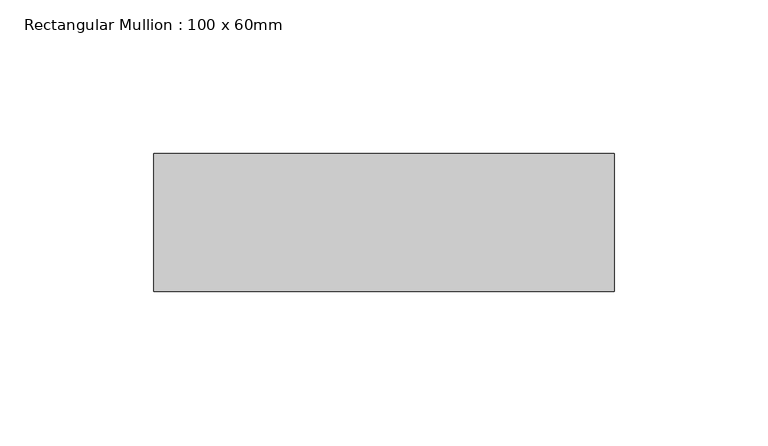
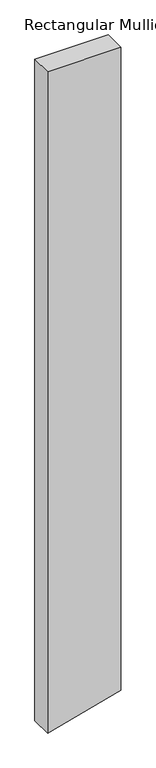
"""IFC4 building model written with IfcOpenShell, lengths in millimetres: member geometry, Rectangular Mullion : 100 x 60mm."""

from ifc_helpers import new_model, si_unit, frame, origin, place, context, project, spatial, polyline, outline, extrude, source, transform, mapped, element, save


def rectangular_mullion_100_x_60mm_ebbcdaab(model_context):
    return source(origin(), model_context, "Body", "SweptSolid", [
        extrude(outline(polyline([(0.0, 75.0), (0.0, -75.0), (-1433.3643195, -75.0), (-1430.6057186, -64.7047613), (-1393.1719407, 75.0), (0.0, 75.0)])), frame((0.0, -30.0, 0.0), z_axis=(0.0, 1.0, 0.0), x_axis=(0.0, 0.0, 1.0)), (0.0, 0.0, 1.0), 45.0),
    ])


if __name__ == "__main__":
    model = new_model("IFC4")
    model_context = context("Model", 3, world=origin())
    ifc_project = project(units=[si_unit("LENGTHUNIT", "METRE", prefix="MILLI")], contexts=[model_context])
    site = spatial("IfcSite", under=ifc_project)
    building = spatial("IfcBuilding", under=site)
    placement = place(None, origin())
    rectangular_mullion_100_x_60mm_shape = rectangular_mullion_100_x_60mm_ebbcdaab(model_context)
    element("IfcMember", 1, ObjectType="Rectangular Mullion : 100 x 60mm", at=placement, inside=building, context=model_context, shape_type="MappedRepresentation", body=[
        mapped(rectangular_mullion_100_x_60mm_shape, transform((0.0, 0.0, 0.0), x_axis=(1.0, 0.0, 0.0), y_axis=(0.0, 1.0, 0.0), z_axis=(0.0, 0.0, 1.0))),
    ])
    save(model, "model.ifc")
